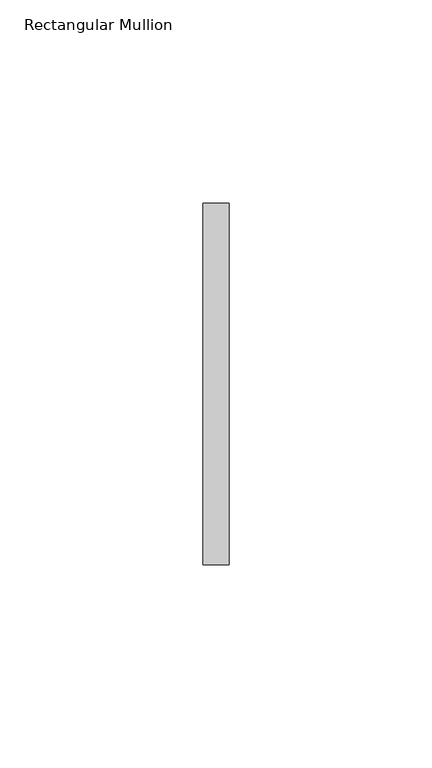
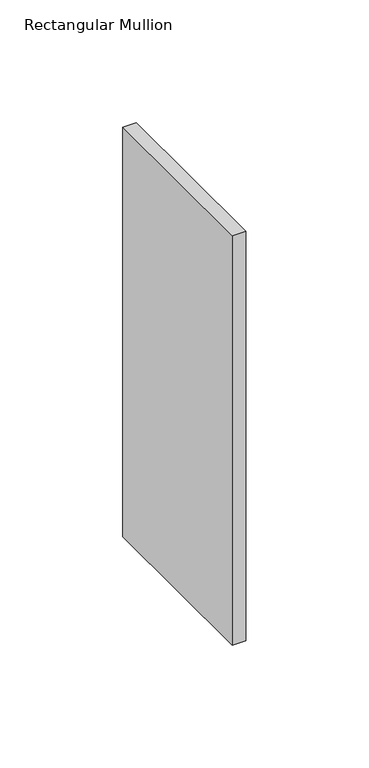
"""IFC4 building model written with IfcOpenShell, lengths in millimetres: member geometry, Rectangular Mullion."""

from ifc_helpers import new_model, si_unit, frame, origin, place, context, project, spatial, polyline, outline, extrude, source, transform, mapped, element, save


def rectangular_mullion_217da4bf(model_context):
    return source(origin(), model_context, "Body", "SweptSolid", [
        extrude(outline(polyline([(0.0, 44.45), (0.0, -44.45), (-6.35, -44.45), (-6.35, 44.45), (0.0, 44.45)])), frame((0.0, 0.0, -203.2), z_axis=(0.0, 0.0, 1.0), x_axis=(1.0, 0.0, 0.0)), (0.0, 0.0, 1.0), 203.2),
    ])


if __name__ == "__main__":
    model = new_model("IFC4")
    model_context = context("Model", 3, world=origin())
    ifc_project = project(units=[si_unit("LENGTHUNIT", "METRE", prefix="MILLI")], contexts=[model_context])
    site = spatial("IfcSite", under=ifc_project)
    building = spatial("IfcBuilding", under=site)
    placement = place(None, origin())
    rectangular_mullion_shape = rectangular_mullion_217da4bf(model_context)
    element("IfcMember", 1, ObjectType="Rectangular Mullion", at=placement, inside=building, context=model_context, shape_type="MappedRepresentation", body=[
        mapped(rectangular_mullion_shape, transform((0.0, 0.0, 0.0), x_axis=(1.0, 0.0, 0.0), y_axis=(0.0, 1.0, 0.0), z_axis=(0.0, 0.0, 1.0))),
    ])
    save(model, "model.ifc")
